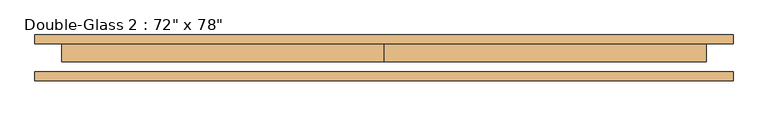
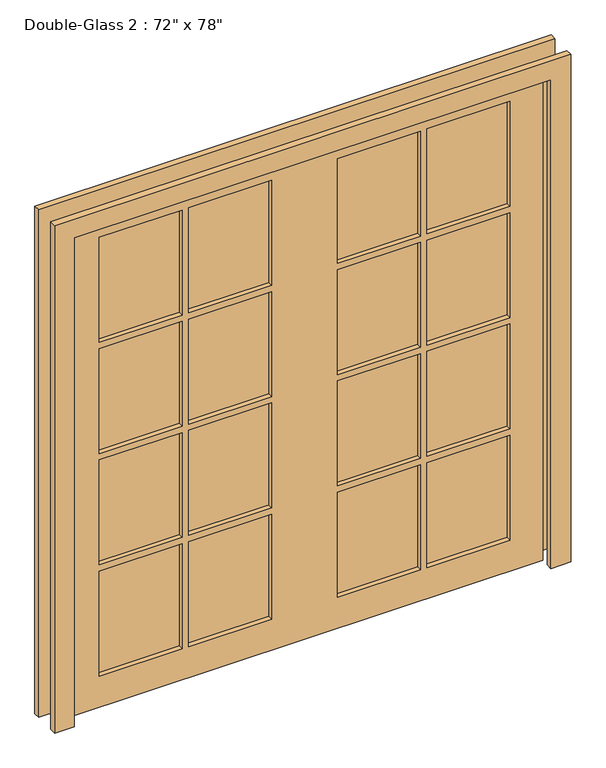
"""IFC4 building model written with IfcOpenShell, lengths in millimetres: door geometry."""

from ifc_helpers import new_model, si_unit, frame, origin, place, context, project, spatial, polyline, outline, extrude, source, transform, mapped, element, save


def door_012b31bc(model_context):
    return source(origin(), model_context, "Body", "SweptSolid", [
        extrude(outline(polyline([(469.9, 20.6375), (787.4, 20.6375), (787.4, 7.9375), (469.9, 7.9375), (469.9, 20.6375)])), frame((0.0, 0.0, 1479.55), z_axis=(0.0, 0.0, 1.0), x_axis=(1.0, 0.0, 0.0)), (0.0, 0.0, 1.0), 425.45),
        extrude(outline(polyline([(127.0, 20.6375), (444.5, 20.6375), (444.5, 7.9375), (127.0, 7.9375), (127.0, 20.6375)])), frame((0.0, 0.0, 1479.55), z_axis=(0.0, 0.0, 1.0), x_axis=(1.0, 0.0, 0.0)), (0.0, 0.0, 1.0), 425.45),
        extrude(outline(polyline([(-444.5, 20.6375), (-127.0, 20.6375), (-127.0, 7.9375), (-444.5, 7.9375), (-444.5, 20.6375)])), frame((0.0, 0.0, 1479.55), z_axis=(0.0, 0.0, 1.0), x_axis=(1.0, 0.0, 0.0)), (0.0, 0.0, 1.0), 425.45),
        extrude(outline(polyline([(-787.4, 20.6375), (-469.9, 20.6375), (-469.9, 7.9375), (-787.4, 7.9375), (-787.4, 20.6375)])), frame((0.0, 0.0, 1479.55), z_axis=(0.0, 0.0, 1.0), x_axis=(1.0, 0.0, 0.0)), (0.0, 0.0, 1.0), 425.45),
        extrude(outline(polyline([(-787.4, 20.6375), (-469.9, 20.6375), (-469.9, 7.9375), (-787.4, 7.9375), (-787.4, 20.6375)])), frame((0.0, 0.0, 1028.7), z_axis=(0.0, 0.0, 1.0), x_axis=(1.0, 0.0, 0.0)), (0.0, 0.0, 1.0), 425.45),
        extrude(outline(polyline([(-444.5, 20.6375), (-127.0, 20.6375), (-127.0, 7.9375), (-444.5, 7.9375), (-444.5, 20.6375)])), frame((0.0, 0.0, 1028.7), z_axis=(0.0, 0.0, 1.0), x_axis=(1.0, 0.0, 0.0)), (0.0, 0.0, 1.0), 425.45),
        extrude(outline(polyline([(127.0, 20.6375), (444.5, 20.6375), (444.5, 7.9375), (127.0, 7.9375), (127.0, 20.6375)])), frame((0.0, 0.0, 1028.7), z_axis=(0.0, 0.0, 1.0), x_axis=(1.0, 0.0, 0.0)), (0.0, 0.0, 1.0), 425.45),
        extrude(outline(polyline([(469.9, 20.6375), (787.4, 20.6375), (787.4, 7.9375), (469.9, 7.9375), (469.9, 20.6375)])), frame((0.0, 0.0, 1028.7), z_axis=(0.0, 0.0, 1.0), x_axis=(1.0, 0.0, 0.0)), (0.0, 0.0, 1.0), 425.45),
        extrude(outline(polyline([(469.9, 20.6375), (787.4, 20.6375), (787.4, 7.9375), (469.9, 7.9375), (469.9, 20.6375)])), frame((0.0, 0.0, 577.85), z_axis=(0.0, 0.0, 1.0), x_axis=(1.0, 0.0, 0.0)), (0.0, 0.0, 1.0), 425.45),
        extrude(outline(polyline([(127.0, 20.6375), (444.5, 20.6375), (444.5, 7.9375), (127.0, 7.9375), (127.0, 20.6375)])), frame((0.0, 0.0, 577.85), z_axis=(0.0, 0.0, 1.0), x_axis=(1.0, 0.0, 0.0)), (0.0, 0.0, 1.0), 425.45),
        extrude(outline(polyline([(-444.5, 20.6375), (-127.0, 20.6375), (-127.0, 7.9375), (-444.5, 7.9375), (-444.5, 20.6375)])), frame((0.0, 0.0, 577.85), z_axis=(0.0, 0.0, 1.0), x_axis=(1.0, 0.0, 0.0)), (0.0, 0.0, 1.0), 425.45),
        extrude(outline(polyline([(-787.4, 20.6375), (-469.9, 20.6375), (-469.9, 7.9375), (-787.4, 7.9375), (-787.4, 20.6375)])), frame((0.0, 0.0, 577.85), z_axis=(0.0, 0.0, 1.0), x_axis=(1.0, 0.0, 0.0)), (0.0, 0.0, 1.0), 425.45),
        extrude(outline(polyline([(469.9, 20.6375), (787.4, 20.6375), (787.4, 7.9375), (469.9, 7.9375), (469.9, 20.6375)])), frame((0.0, 0.0, 127.0), z_axis=(0.0, 0.0, 1.0), x_axis=(1.0, 0.0, 0.0)), (0.0, 0.0, 1.0), 425.45),
        extrude(outline(polyline([(127.0, 20.6375), (444.5, 20.6375), (444.5, 7.9375), (127.0, 7.9375), (127.0, 20.6375)])), frame((0.0, 0.0, 127.0), z_axis=(0.0, 0.0, 1.0), x_axis=(1.0, 0.0, 0.0)), (0.0, 0.0, 1.0), 425.45),
        extrude(outline(polyline([(-444.5, 20.6375), (-127.0, 20.6375), (-127.0, 7.9375), (-444.5, 7.9375), (-444.5, 20.6375)])), frame((0.0, 0.0, 127.0), z_axis=(0.0, 0.0, 1.0), x_axis=(1.0, 0.0, 0.0)), (0.0, 0.0, 1.0), 425.45),
        extrude(outline(polyline([(-787.4, 20.6375), (-469.9, 20.6375), (-469.9, 7.9375), (-787.4, 7.9375), (-787.4, 20.6375)])), frame((0.0, 0.0, 127.0), z_axis=(0.0, 0.0, 1.0), x_axis=(1.0, 0.0, 0.0)), (0.0, 0.0, 1.0), 425.45),
        extrude(outline(polyline([(1981.2, 0.0), (1981.2, -914.4), (0.0, -914.4), (0.0, 0.0), (0.0, 914.4), (1981.2, 914.4), (1981.2, 0.0)]), holes=[polyline([(1905.0, 469.9), (1905.0, 787.4), (1479.55, 787.4), (1479.55, 469.9), (1905.0, 469.9)]), polyline([(1905.0, 127.0), (1905.0, 444.5), (1479.55, 444.5), (1479.55, 127.0), (1905.0, 127.0)]), polyline([(1454.15, 469.9), (1454.15, 787.4), (1028.7, 787.4), (1028.7, 469.9), (1454.15, 469.9)]), polyline([(1454.15, 127.0), (1454.15, 444.5), (1028.7, 444.5), (1028.7, 127.0), (1454.15, 127.0)]), polyline([(1003.3, 469.9), (1003.3, 787.4), (577.85, 787.4), (577.85, 469.9), (1003.3, 469.9)]), polyline([(1003.3, 127.0), (1003.3, 444.5), (577.85, 444.5), (577.85, 127.0), (1003.3, 127.0)]), polyline([(552.45, 469.9), (552.45, 787.4), (127.0, 787.4), (127.0, 469.9), (552.45, 469.9)]), polyline([(552.45, 127.0), (552.45, 444.5), (127.0, 444.5), (127.0, 127.0), (552.45, 127.0)]), polyline([(1905.0, -444.5), (1905.0, -127.0), (1479.55, -127.0), (1479.55, -444.5), (1905.0, -444.5)]), polyline([(1454.15, -444.5), (1454.15, -127.0), (1028.7, -127.0), (1028.7, -444.5), (1454.15, -444.5)]), polyline([(1454.15, -469.9), (1028.7, -469.9), (1028.7, -787.4), (1454.15, -787.4), (1454.15, -469.9)]), polyline([(1003.3, -444.5), (1003.3, -127.0), (577.85, -127.0), (577.85, -444.5), (1003.3, -444.5)]), polyline([(1003.3, -469.9), (577.85, -469.9), (577.85, -787.4), (1003.3, -787.4), (1003.3, -469.9)]), polyline([(552.45, -444.5), (552.45, -127.0), (127.0, -127.0), (127.0, -444.5), (552.45, -444.5)]), polyline([(552.45, -787.4), (552.45, -469.9), (127.0, -469.9), (127.0, -787.4), (552.45, -787.4)]), polyline([(1479.55, -469.9), (1479.55, -787.4), (1905.0, -787.4), (1905.0, -469.9), (1479.55, -469.9)])]), frame((0.0, -11.1125, 0.0), z_axis=(0.0, 1.0, 0.0), x_axis=(0.0, 0.0, 1.0)), (0.0, 0.0, 1.0), 50.8),
        extrude(outline(polyline([(1981.2, -914.4), (1981.2, 914.4), (0.0, 914.4), (0.0, 990.6), (2057.4, 990.6), (2057.4, -990.6), (0.0, -990.6), (0.0, -914.4), (1981.2, -914.4)])), frame((0.0, -65.0875, 0.0), z_axis=(0.0, 1.0, 0.0), x_axis=(0.0, 0.0, 1.0)), (0.0, 0.0, 1.0), 25.4),
        extrude(outline(polyline([(1981.2, -914.4), (1981.2, 914.4), (0.0, 914.4), (0.0, 990.6), (2057.4, 990.6), (2057.4, -990.6), (0.0, -990.6), (0.0, -914.4), (1981.2, -914.4)])), frame((0.0, 39.6875, 0.0), z_axis=(0.0, 1.0, 0.0), x_axis=(0.0, 0.0, 1.0)), (0.0, 0.0, 1.0), 25.4),
    ])


if __name__ == "__main__":
    model = new_model("IFC4")
    model_context = context("Model", 3, world=origin())
    ifc_project = project(units=[si_unit("LENGTHUNIT", "METRE", prefix="MILLI")], contexts=[model_context])
    site = spatial("IfcSite", under=ifc_project)
    building = spatial("IfcBuilding", under=site)
    placement = place(None, origin())
    door_shape = door_012b31bc(model_context)
    element("IfcDoor", 1, ObjectType="Double-Glass 2 : 72\" x 78\"", at=placement, inside=building, context=model_context, shape_type="MappedRepresentation", body=[
        mapped(door_shape, transform((0.0, 0.0, 0.0), x_axis=(1.0, 0.0, 0.0), y_axis=(0.0, 1.0, 0.0), z_axis=(0.0, 0.0, 1.0))),
    ])
    save(model, "model.ifc")
